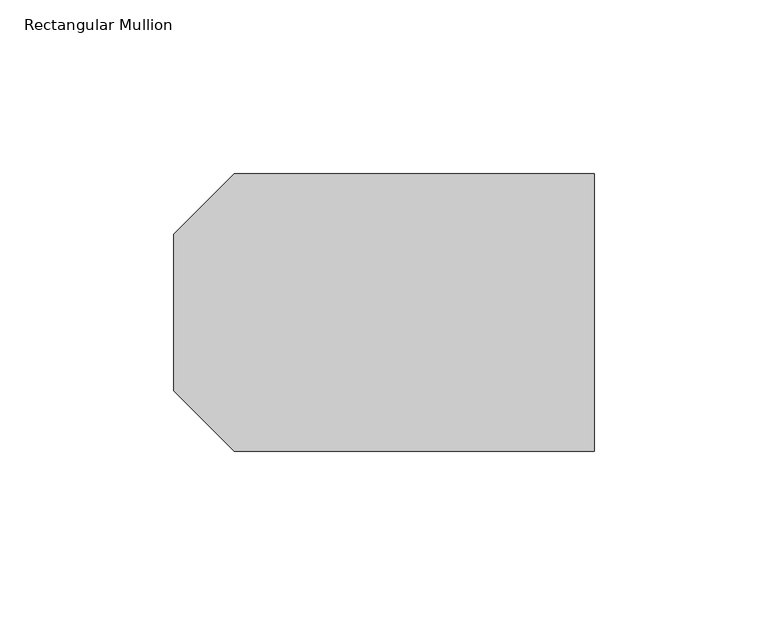
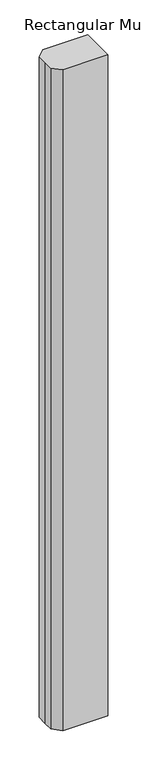
"""IFC4 building model written with IfcOpenShell, lengths in millimetres: member geometry, Rectangular Mullion."""

from ifc_helpers import new_model, si_unit, frame, origin, place, context, project, spatial, polyline, outline, extrude, source, transform, mapped, element, save


def rectangular_mullion_f04bf779(model_context):
    return source(origin(), model_context, "Body", "SweptSolid", [
        extrude(outline(polyline([(-121.0, 22.5), (-103.597438, 39.902562), (0.0, 39.902562), (0.0, -39.902562), (-103.597438, -39.902562), (-121.0, -22.5), (-121.0, 0.0), (-121.0, 22.5)])), frame((0.0, 0.0, -1599.9999998), z_axis=(0.0, 0.0, 1.0), x_axis=(1.0, 0.0, 0.0)), (0.0, 0.0, 1.0), 1599.9999998),
    ])


if __name__ == "__main__":
    model = new_model("IFC4")
    model_context = context("Model", 3, world=origin())
    ifc_project = project(units=[si_unit("LENGTHUNIT", "METRE", prefix="MILLI")], contexts=[model_context])
    site = spatial("IfcSite", under=ifc_project)
    building = spatial("IfcBuilding", under=site)
    placement = place(None, origin())
    rectangular_mullion_shape = rectangular_mullion_f04bf779(model_context)
    element("IfcMember", 1, ObjectType="Rectangular Mullion", at=placement, inside=building, context=model_context, shape_type="MappedRepresentation", body=[
        mapped(rectangular_mullion_shape, transform((0.0, 0.0, 0.0), x_axis=(1.0, 0.0, 0.0), y_axis=(0.0, 1.0, 0.0), z_axis=(0.0, 0.0, 1.0))),
    ])
    save(model, "model.ifc")
